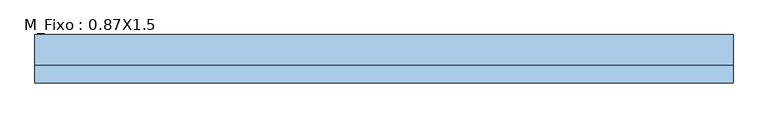
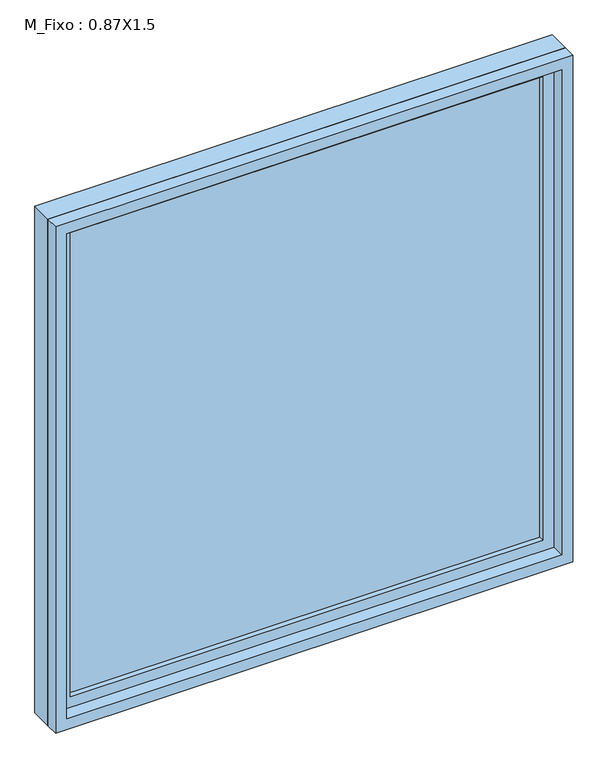
"""IFC4 building model written with IfcOpenShell, lengths in millimetres: window geometry, M_Fixo : 0.87X1.5."""

from ifc_helpers import new_model, si_unit, frame, origin, place, context, project, spatial, polyline, outline, extrude, source, transform, mapped, element, save


def m_fixo_0_87x1_5_0bfc6e6b(model_context):
    return source(origin(), model_context, "Body", "SweptSolid", [
        extrude(outline(polyline([(-662.0, 28.0), (662.0, 28.0), (662.0, 16.0), (-662.0, 16.0), (-662.0, 28.0)])), frame((0.0, 0.0, 1063.0), z_axis=(0.0, 0.0, 1.0), x_axis=(1.0, 0.0, 0.0)), (0.0, 0.0, 1.0), 1374.0),
        extrude(outline(polyline([(2481.0, -706.0), (1019.0, -706.0), (1019.0, 706.0), (2481.0, 706.0), (2481.0, -706.0)]), holes=[polyline([(2437.0, -662.0), (2437.0, 662.0), (1063.0, 662.0), (1063.0, -662.0), (2437.0, -662.0)])]), frame((0.0, 0.0, 0.0), z_axis=(0.0, 1.0, 0.0), x_axis=(0.0, 0.0, 1.0)), (0.0, 0.0, 1.0), 44.0),
        extrude(outline(polyline([(2500.0, -725.0), (1000.0, -725.0), (1000.0, 725.0), (2500.0, 725.0), (2500.0, -725.0)]), holes=[polyline([(2481.0, -706.0), (2481.0, 706.0), (1019.0, 706.0), (1019.0, -706.0), (2481.0, -706.0)])]), frame((0.0, 0.0, 0.0), z_axis=(0.0, 1.0, 0.0), x_axis=(0.0, 0.0, 1.0)), (0.0, 0.0, 1.0), 63.0),
        extrude(outline(polyline([(2500.0, -725.0), (1000.0, -725.0), (1000.0, 725.0), (2500.0, 725.0), (2500.0, -725.0)]), holes=[polyline([(2468.0, -693.0), (2468.0, 693.0), (1032.0, 693.0), (1032.0, -693.0), (2468.0, -693.0)])]), frame((0.0, -37.0, 0.0), z_axis=(0.0, 1.0, 0.0), x_axis=(0.0, 0.0, 1.0)), (0.0, 0.0, 1.0), 37.0),
    ])


if __name__ == "__main__":
    model = new_model("IFC4")
    model_context = context("Model", 3, world=origin())
    ifc_project = project(units=[si_unit("LENGTHUNIT", "METRE", prefix="MILLI")], contexts=[model_context])
    site = spatial("IfcSite", under=ifc_project)
    building = spatial("IfcBuilding", under=site)
    placement = place(None, origin())
    m_fixo_0_87x1_5_shape = m_fixo_0_87x1_5_0bfc6e6b(model_context)
    element("IfcWindow", 1, ObjectType="M_Fixo : 0.87X1.5", at=placement, inside=building, context=model_context, shape_type="MappedRepresentation", body=[
        mapped(m_fixo_0_87x1_5_shape, transform((0.0, 0.0, 0.0), x_axis=(1.0, 0.0, 0.0), y_axis=(0.0, 1.0, 0.0), z_axis=(0.0, 0.0, 1.0))),
    ])
    save(model, "model.ifc")
